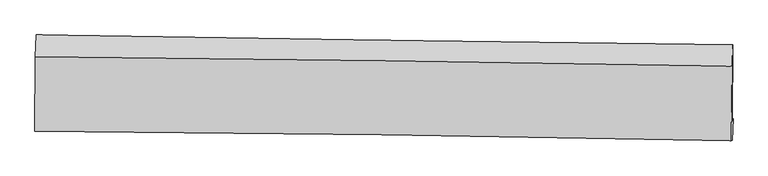
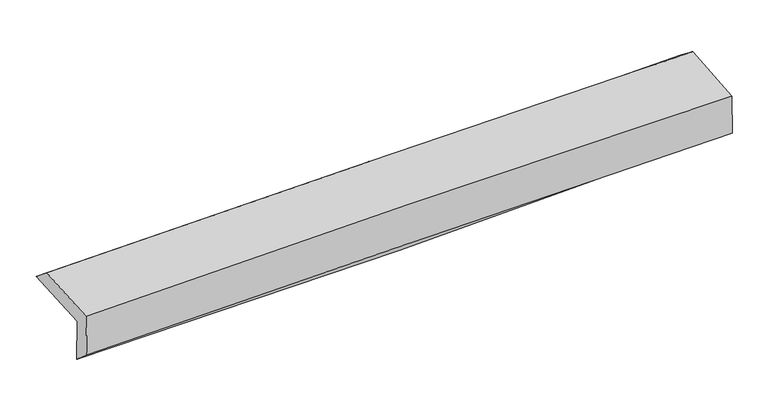
"""IFC4 building model written with IfcOpenShell, lengths in millimetres: proxy geometry."""

from ifc_helpers import new_model, si_unit, frame, origin, place, context, project, spatial, source, transform, mapped, element, save
from ifc_brep_helpers import plane_surface, spline_curve, spline_surface, advanced_brep


def generic_models_8144f23c(model_context):
    return source(origin(), model_context, "Body", "AdvancedBrep", [
        advanced_brep(
        [(-3038.2715068, -1765.0012583, 1942.3274322), (-3032.533183, -1080.4568553, 1971.470864), (3025.5100202, -1166.4780386, 2122.1495482), (3017.9762335, -1826.17165, 2100.7012656), (-3028.4883305, -1737.2951024, 1538.9874515), (3027.2992859, -1809.7174233, 1712.3754304), (-3033.8645936, -1913.9240411, 1696.4634426), (3021.9742746, -1997.07127, 1841.879072), (-3043.0112187, -1917.3400985, 2082.5010339), (3013.1172864, -2000.0663729, 2217.3461233), (-3037.895483, -1269.4846774, 2123.4254968), (3019.7980013, -1352.7319032, 2268.6976524)],
        [
            (0, 1),
            (1, 2, spline_curve(3, [(-3032.533183, -1080.4568553, 1971.470864), (-2022.54777512, -1096.149208221, 1979.819499099), (-1012.76555574, -1111.163206458, 1996.548406435), (1006.582254905, -1139.837189509, 2046.771484205), (2016.147770031, -1153.496918624, 2080.268804979), (3025.5100202, -1166.4780386, 2122.1495482)], [4, 2, 4], [0.0, 9.939516703307964, 19.880901526827714])),
            (2, 3),
            (3, 0, spline_curve(3, [(3017.9762335, -1826.17165, 2100.7012656), (2008.816007846, -1812.649846934, 2064.060817194), (999.501145722, -1800.791089732, 2032.542014249), (-1019.248158997, -1780.401584379, 1979.752661333), (-2028.682543833, -1771.8702108, 1958.480186185), (-3038.2715068, -1765.0012583, 1942.3274322)], [4, 2, 4], [0.0, 9.94138482351975, 19.880901526827714])),
            (4, 0),
            (3, 5),
            (5, 4, spline_curve(3, [(3027.2992859, -1809.7174233, 1712.3754304), (2018.479484531, -1797.335273563, 1660.863528151), (1009.373169349, -1785.108452584, 1620.658283382), (-1009.22281063, -1760.967737612, 1562.866539052), (-2018.712367234, -1749.053784646, 1545.275791151), (-3028.4883305, -1737.2951024, 1538.9874515)], [4, 2, 4], [0.0, 9.940008046519287, 19.878148231541743])),
            (6, 4),
            (5, 7),
            (7, 6, spline_curve(3, [(3021.9742746, -1997.07127, 1841.879072), (2012.724648007, -1975.933576463, 1816.528500259), (1003.399168428, -1958.435484858, 1791.734158625), (-1015.213815911, -1930.721109339, 1743.262491242), (-2024.501292519, -1920.503458356, 1719.584956309), (-3033.8645936, -1913.9240411, 1696.4634426)], [4, 2, 4], [0.0, 9.939459175041806, 19.877050591727134])),
            (8, 6),
            (7, 9),
            (9, 8, spline_curve(3, [(3013.1172864, -2000.0663729, 2217.3461233), (2003.616642966, -1979.183402981, 2202.267089642), (994.141525994, -1961.847747229, 2183.489078523), (-1024.567966009, -1934.273655786, 2138.539325406), (-2033.802350601, -1924.033886428, 2112.368973315), (-3043.0112187, -1917.3400985, 2082.5010339)], [4, 2, 4], [0.0, 9.938969186721435, 19.8760707071618])),
            (10, 8),
            (9, 11),
            (11, 10, spline_curve(3, [(3019.7980013, -1352.7319032, 2268.6976524), (2010.071660731, -1334.947882016, 2248.206836041), (1000.35326638, -1319.118134444, 2225.854102511), (-1018.877892177, -1291.369793745, 2177.429350748), (-2028.390659045, -1279.450465847, 2151.358032435), (-3037.895483, -1269.4846774, 2123.4254968)], [4, 2, 4], [0.0, 9.940487856348565, 19.879107761037567])),
            (1, 10),
            (11, 2),
        ],
        [
            spline_surface(3, 3, [[(-3038.2715068, -1765.0012583, 1942.3274322), (-2028.682543673, -1771.870210654, 1958.48018613), (-1019.248159065, -1780.40158425, 1979.752661217), (999.501145791, -1800.791089862, 2032.542014364), (2008.816007994, -1812.649846825, 2064.06081704), (3017.9762335, -1826.17165, 2100.7012656)], [(-3036.358732219, -1536.819790649, 1952.041909477), (-2026.637620836, -1546.629876472, 1965.593290519), (-1017.087291293, -1557.322125027, 1985.351242967), (1001.861515539, -1580.473123025, 2037.285170954), (2011.259928692, -1592.932204091, 2069.463479692), (3020.487495735, -1606.273779535, 2107.850693148)], [(-3034.445957581, -1308.638322951, 1961.756386723), (-2024.592697943, -1321.389542241, 1972.706394876), (-1014.926423582, -1334.242665821, 1990.949824736), (1004.221885226, -1360.155156206, 2042.028327565), (2013.703849384, -1373.214561351, 2074.866142302), (3022.998757965, -1386.375909065, 2115.000120652)], [(-3032.533183, -1080.4568553, 1971.470864), (-2022.547775106, -1096.149208058, 1979.819499264), (-1012.765555809, -1111.163206597, 1996.548406485), (1006.582254974, -1139.83718937, 2046.771484155), (2016.147770081, -1153.496918617, 2080.268804955), (3025.5100202, -1166.4780386, 2122.1495482)]], [4, 4], [4, 2, 4], [0.0, 2.1827782301965852], [0.0, 9.939516703307964, 19.880901526827714]),
            spline_surface(3, 3, [[(-3028.4883305, -1737.2951024, 1538.9874515), (-2018.712367394, -1749.053784642, 1545.275791008), (-1009.222810556, -1760.967737475, 1562.86653921), (1009.373169275, -1785.108452721, 1620.658283224), (2018.479484514, -1797.335273553, 1660.863528), (3027.2992859, -1809.7174233, 1712.3754304)], [(-3031.749389241, -1746.53048769, 1673.434111704), (-2022.035759461, -1756.659259969, 1683.010589353), (-1012.564593402, -1767.445686392, 1701.828579891), (1006.082494771, -1790.335998427, 1757.952860282), (2015.258325649, -1802.44013132, 1795.262624342), (3024.191601742, -1815.202165543, 1841.817375462)], [(-3035.010448059, -1755.76587301, 1807.880771996), (-2025.359151606, -1764.264735327, 1820.745387786), (-1015.906376219, -1773.923635333, 1840.790620536), (1002.791820295, -1795.563544156, 1895.247437306), (2012.037166859, -1807.544989058, 1929.661720698), (3021.083917658, -1820.686907757, 1971.259320538)], [(-3038.2715068, -1765.0012583, 1942.3274322), (-2028.682543673, -1771.870210654, 1958.48018613), (-1019.248159065, -1780.40158425, 1979.752661217), (999.501145791, -1800.791089862, 2032.542014364), (2008.816007994, -1812.649846825, 2064.06081704), (3017.9762335, -1826.17165, 2100.7012656)]], [4, 4], [4, 2, 4], [0.0, 1.3611403004372908], [0.0, 9.938140185022457, 19.878148231541743]),
            spline_surface(3, 3, [[(-3033.8645936, -1913.9240411, 1696.4634426), (-2024.501292608, -1920.503458221, 1719.58495617), (-1015.213816033, -1930.721109473, 1743.262491227), (1003.39916855, -1958.435484724, 1791.734158641), (2012.724648018, -1975.933576407, 1816.528500102), (3021.9742746, -1997.07127, 1841.879072)], [(-3032.072505911, -1855.047728219, 1643.971445565), (-2022.571650881, -1863.353567047, 1661.481901115), (-1013.216814217, -1874.136652135, 1683.13050723), (1005.390502116, -1900.659807384, 1734.708866844), (2014.642926856, -1916.400808776, 1764.640176086), (3023.749278372, -1934.619987754, 1798.711191484)], [(-3030.280418189, -1796.171415281, 1591.479448535), (-2020.642009121, -1806.203675816, 1603.378846064), (-1011.219812373, -1817.552194813, 1622.998523207), (1007.381835709, -1842.884130061, 1677.683575021), (2016.561205676, -1856.868041184, 1712.751852016), (3025.524282128, -1872.168705546, 1755.543310916)], [(-3028.4883305, -1737.2951024, 1538.9874515), (-2018.712367394, -1749.053784642, 1545.275791008), (-1009.222810556, -1760.967737475, 1562.86653921), (1009.373169275, -1785.108452721, 1620.658283224), (2018.479484514, -1797.335273553, 1660.863528), (3027.2992859, -1809.7174233, 1712.3754304)]], [4, 4], [4, 2, 4], [0.0, 0.8059438456273119], [0.0, 9.937591416685327, 19.877050591727134]),
            spline_surface(3, 3, [[(-3043.0112187, -1917.3400985, 2082.5010339), (-2033.802350737, -1924.03388648, 2112.368973313), (-1024.56796606, -1934.273655635, 2138.539325371), (994.141526045, -1961.84774738, 2183.489078558), (2003.616643073, -1979.183403032, 2202.267089615), (3013.1172864, -2000.0663729, 2217.3461233)], [(-3039.962343658, -1916.201412693, 1953.821836811), (-2030.701998019, -1922.857077053, 1981.44096761), (-1021.449916041, -1933.089473592, 2006.780380635), (997.227406889, -1960.710326506, 2052.904105231), (2006.652644745, -1978.100127503, 2073.687559754), (3016.069615823, -1999.068005279, 2092.19043951)], [(-3036.913468642, -1915.062726907, 1825.142639689), (-2027.601645326, -1921.680267648, 1850.512961874), (-1018.331866052, -1931.905291516, 1875.021435963), (1000.313287705, -1959.572905598, 1922.319131968), (2009.688646347, -1977.016851937, 1945.108029963), (3019.021945177, -1998.069637621, 1967.03475579)], [(-3033.8645936, -1913.9240411, 1696.4634426), (-2024.501292608, -1920.503458221, 1719.58495617), (-1015.213816033, -1930.721109473, 1743.262491227), (1003.39916855, -1958.435484724, 1791.734158641), (2012.724648018, -1975.933576407, 1816.528500102), (3021.9742746, -1997.07127, 1841.879072)]], [4, 4], [4, 2, 4], [0.0, 1.2914729916072152], [0.0, 9.937101520440367, 19.8760707071618]),
            spline_surface(3, 3, [[(-3037.895483, -1269.4846774, 2123.4254968), (-2028.390659161, -1279.450466, 2151.35803259), (-1018.877892124, -1291.369793654, 2177.429350844), (1000.353266328, -1319.118134534, 2225.854102415), (2010.071660714, -1334.94788212, 2248.206836005), (3019.7980013, -1352.7319032, 2268.6976524)], [(-3039.60072825, -1485.436484436, 2109.784009175), (-2030.19455637, -1494.311606163, 2138.361679506), (-1020.774583423, -1505.671080983, 2164.466009043), (998.282686246, -1533.361338819, 2211.732427819), (2007.919988142, -1549.693055744, 2232.893587215), (3017.571096308, -1568.510059753, 2251.58047604)], [(-3041.30597345, -1701.388291464, 2096.142521525), (-2031.998453528, -1709.172746317, 2125.365326397), (-1022.671274761, -1719.972368306, 2151.502667172), (996.212106126, -1747.604543096, 2197.610753154), (2005.768315645, -1764.438229409, 2217.580338405), (3015.344191392, -1784.288216347, 2234.46329966)], [(-3043.0112187, -1917.3400985, 2082.5010339), (-2033.802350737, -1924.03388648, 2112.368973313), (-1024.56796606, -1934.273655635, 2138.539325371), (994.141526045, -1961.84774738, 2183.489078558), (2003.616643073, -1979.183403032, 2202.267089615), (3013.1172864, -2000.0663729, 2217.3461233)]], [4, 4], [4, 2, 4], [0.0, 2.1132770011974915], [0.0, 9.938619904689002, 19.879107761037567]),
            spline_surface(3, 3, [[(-3032.533183, -1080.4568553, 1971.470864), (-2022.547775106, -1096.149208058, 1979.819499264), (-1012.765555809, -1111.163206597, 1996.548406485), (1006.582254974, -1139.83718937, 2046.771484155), (2016.147770081, -1153.496918617, 2080.268804955), (3025.5100202, -1166.4780386, 2122.1495482)], [(-3034.320616321, -1143.466129313, 2022.122408268), (-2024.495403112, -1157.249627352, 2036.999010374), (-1014.803001273, -1171.232068955, 2056.84205459), (1004.505925401, -1199.59750443, 2106.465690226), (2014.122400311, -1213.980573121, 2136.248148627), (3023.606013919, -1228.562660136, 2170.998916256)], [(-3036.108049679, -1206.475403387, 2072.773952532), (-2026.443031155, -1218.350046706, 2094.17852148), (-1016.840446661, -1231.300931297, 2117.13570274), (1002.429595901, -1259.357819474, 2166.159896344), (2012.097030484, -1274.464227617, 2192.227492332), (3021.702007581, -1290.647281664, 2219.848284344)], [(-3037.895483, -1269.4846774, 2123.4254968), (-2028.390659161, -1279.450466, 2151.35803259), (-1018.877892124, -1291.369793654, 2177.429350844), (1000.353266328, -1319.118134534, 2225.854102415), (2010.071660714, -1334.94788212, 2248.206836005), (3019.7980013, -1352.7319032, 2268.6976524)]], [4, 4], [4, 2, 4], [0.0, 0.834773901672122], [0.0, 9.940501270951437, 19.882870847162962]),
            plane_surface(frame((3020.9458503, -1692.039443, 2043.858182), z_axis=(0.9996500213689052, -0.012179651280261833, 0.02348384278261538), x_axis=(0.02358194538811076, 0.007974533781389166, -0.9996901013127426))),
            plane_surface(frame((-3035.6773859, -1613.9170055, 1892.5292868), z_axis=(-0.9996773613551069, 0.00938484405133559, -0.023602921349344608), x_axis=(-0.008374810111642941, -0.9990599422274731, -0.04253345027189912))),
        ],
        [
            (0, [[1, 2, 3, 4]]),
            (1, [[5, -4, 6, 7]]),
            (2, [[8, -7, 9, 10]]),
            (3, [[11, -10, 12, 13]]),
            (4, [[14, -13, 15, 16]]),
            (5, [[17, -16, 18, -2]]),
            (6, [[-12, -9, -6, -3, -18, -15]]),
            (7, [[-1, -5, -8, -11, -14, -17]]),
        ],
    ),
    ])


if __name__ == "__main__":
    model = new_model("IFC4")
    model_context = context("Model", 3, world=origin())
    ifc_project = project(units=[si_unit("LENGTHUNIT", "METRE", prefix="MILLI")], contexts=[model_context])
    site = spatial("IfcSite", under=ifc_project)
    building = spatial("IfcBuilding", under=site)
    placement = place(None, origin())
    generic_models_shape = generic_models_8144f23c(model_context)
    element("IfcBuildingElementProxy", 1, Name="Generic Models", at=placement, inside=building, context=model_context, shape_type="MappedRepresentation", body=[
        mapped(generic_models_shape, transform((0.0, 0.0, 0.0), x_axis=(1.0, 0.0, 0.0), y_axis=(0.0, 1.0, 0.0), z_axis=(0.0, 0.0, 1.0))),
    ])
    save(model, "model.ifc")
